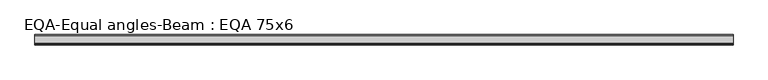
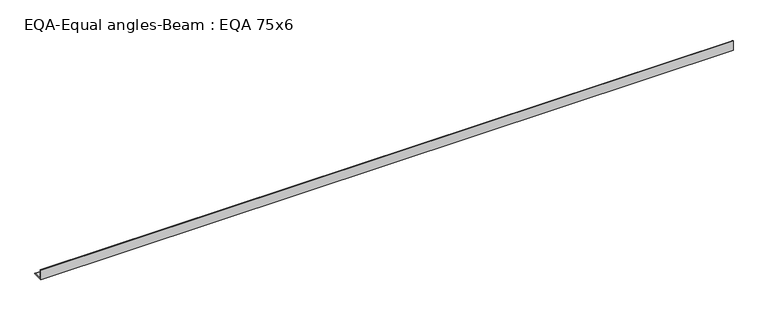
"""IFC4 building model written with IfcOpenShell, lengths in millimetres: beam geometry, EQA-Equal angles-Beam : EQA 75x6."""

from ifc_helpers import new_model, si_unit, point, frame, frame_2d, origin, place, context, project, spatial, polyline, circle_curve, trimmed, segment, composite_curve, outline, extrude, source, transform, mapped, element, save


def eqa_equal_angles_beam_eqa_75x6_978bea38(model_context):
    return source(origin(), model_context, "Body", "SweptSolid", [
        extrude(outline(composite_curve([segment(polyline([(-20.5, -20.5), (-20.5, 54.5), (-19.0, 54.5)]), True, "CONTINUOUS"), segment(trimmed(circle_curve(frame_2d((-19.0, 50.0)), 4.5), [point((-19.0, 54.5))], [point((-14.5, 50.0))], False, "CARTESIAN"), True, "CONTINUOUS"), segment(polyline([(-14.5, 50.0), (-14.5, -5.5)]), True, "CONTINUOUS"), segment(trimmed(circle_curve(frame_2d((-5.5, -5.5)), 9.0), [point((-14.5, -5.5))], [point((-5.5, -14.5))], True, "CARTESIAN"), True, "CONTINUOUS"), segment(polyline([(-5.5, -14.5), (50.0, -14.5)]), True, "CONTINUOUS"), segment(trimmed(circle_curve(frame_2d((50.0, -19.0)), 4.5), [point((50.0, -14.5))], [point((54.5, -19.0))], False, "CARTESIAN"), True, "CONTINUOUS"), segment(polyline([(54.5, -19.0), (54.5, -20.5), (-20.5, -20.5)]), True, "CONTINUOUS")], self_intersect=False)), frame((-2566.2061582, 0.0, 0.0), z_axis=(1.0, 0.0, 0.0), x_axis=(0.0, 1.0, 0.0)), (0.0, 0.0, 1.0), 5091.4744678),
    ])


if __name__ == "__main__":
    model = new_model("IFC4")
    model_context = context("Model", 3, world=origin())
    ifc_project = project(units=[si_unit("LENGTHUNIT", "METRE", prefix="MILLI")], contexts=[model_context])
    site = spatial("IfcSite", under=ifc_project)
    building = spatial("IfcBuilding", under=site)
    placement = place(None, origin())
    eqa_equal_angles_beam_eqa_75x6_shape = eqa_equal_angles_beam_eqa_75x6_978bea38(model_context)
    element("IfcBeam", 1, ObjectType="EQA-Equal angles-Beam : EQA 75x6", at=placement, inside=building, context=model_context, shape_type="MappedRepresentation", body=[
        mapped(eqa_equal_angles_beam_eqa_75x6_shape, transform((0.0, 0.0, 0.0), x_axis=(1.0, 0.0, 0.0), y_axis=(0.0, 1.0, 0.0), z_axis=(0.0, 0.0, 1.0))),
    ])
    save(model, "model.ifc")
